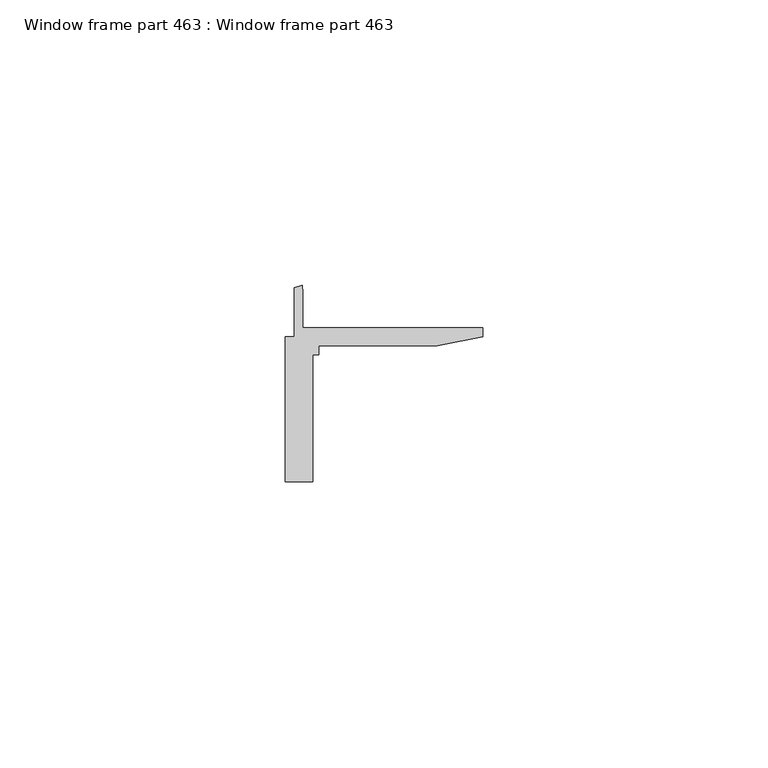
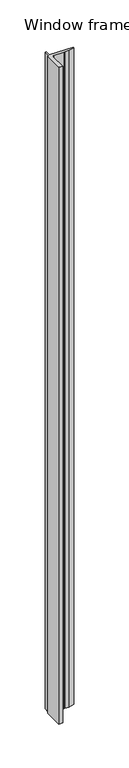
"""IFC4 building model written with IfcOpenShell, lengths in millimetres: proxy geometry, Window frame part 463 : Window frame part 463."""

import ifcopenshell
import ifcopenshell.guid

model = None  # the IFC model being written
_history = None  # IfcOwnerHistory: only IFC2X3 demands one
_inside = {}  # id of a spatial element -> (the spatial element, [elements in it])
_under = {}  # id of a project, library or spatial element -> (it, [spatial elements below it])
_declared = {}  # id of a project -> (the project, [libraries it declares])
_typed = {}  # id of a type object -> (the type object, [elements of that type])
_made_of = {}  # id of a material, layer set ... -> (it, [elements and type objects made of it])


def new_model(schema):
    """Start an empty IFC model of exactly this schema.

    Asked for "IFC4X3", IfcOpenShell would pick the latest addendum, in which some entities
    have other attributes; the version numbers below select the first issue.
    IFC2X3 requires an IfcOwnerHistory on every rooted entity: one is made here for all.
    """
    global model, _history
    if schema == "IFC4X3":
        model = ifcopenshell.file(schema_version=(4, 3, 0, 0))
    else:
        model = ifcopenshell.file(schema=schema)
    _inside.clear()
    _under.clear()
    _declared.clear()
    _typed.clear()
    _made_of.clear()
    _history = None
    if model.schema == "IFC2X3":
        org = make("IfcOrganization", Name="unknown")
        user = make(
            "IfcPersonAndOrganization",
            ThePerson=make("IfcPerson", FamilyName="unknown"),
            TheOrganization=org,
        )
        app = make(
            "IfcApplication",
            ApplicationDeveloper=org,
            Version="unknown",
            ApplicationFullName="unknown",
            ApplicationIdentifier="unknown",
        )
        _history = make(
            "IfcOwnerHistory",
            OwningUser=user,
            OwningApplication=app,
            ChangeAction="ADDED",
            CreationDate=0,
        )
    return model


def make(cls, **values):
    """One entity of the class cls with the attributes given. An attribute that is None is left unset."""
    return model.create_entity(
        cls, **{name: value for name, value in values.items() if value is not None}
    )


def rooted(cls, **values):
    """An entity with a GlobalId (a new one), such as an element, a storey or a relation."""
    return make(cls, GlobalId=ifcopenshell.guid.new(), OwnerHistory=_history, **values)


def si_unit(unit_type, name, prefix=None):
    """IfcSIUnit, for example si_unit("LENGTHUNIT", "METRE", prefix="MILLI")."""
    return make("IfcSIUnit", UnitType=unit_type, Prefix=prefix, Name=name)


def assignment(units):
    """IfcUnitAssignment: the units of a project."""
    return None if units is None else make("IfcUnitAssignment", Units=units)


def point(xyz):
    """IfcCartesianPoint."""
    return None if xyz is None else make("IfcCartesianPoint", Coordinates=xyz)


def direction(xyz):
    """IfcDirection."""
    return None if xyz is None else make("IfcDirection", DirectionRatios=xyz)


def frame(location, z_axis=None, x_axis=None):
    """IfcAxis2Placement3D, a coordinate frame: its origin and axes. An axis left out is left unset."""
    return make(
        "IfcAxis2Placement3D",
        Location=point(location),
        Axis=direction(z_axis),
        RefDirection=direction(x_axis),
    )


def origin():
    """The frame at (0, 0, 0) with its axes left unset."""
    return frame((0.0, 0.0, 0.0))


def place(relative_to, where):
    """IfcLocalPlacement: puts the frame where relative to a parent placement (None: the world)."""
    return make(
        "IfcLocalPlacement", PlacementRelTo=relative_to, RelativePlacement=where
    )


def context(
    kind, dimensions, precision=None, world=None, true_north=None, identifier=None
):
    """IfcGeometricRepresentationContext, for example the 3D "Model" context."""
    return make(
        "IfcGeometricRepresentationContext",
        ContextIdentifier=identifier,
        ContextType=kind,
        CoordinateSpaceDimension=dimensions,
        Precision=precision,
        WorldCoordinateSystem=world,
        TrueNorth=true_north,
    )


def project(units=None, contexts=None):
    """IfcProject with its units and contexts."""
    return rooted(
        "IfcProject",
        Name="project",
        RepresentationContexts=contexts,
        UnitsInContext=assignment(units),
    )


def spatial(cls, under=None, at=None, **own):
    """A site, building, storey or space (cls), placed at a placement, below another one or the project."""
    s = rooted(cls, ObjectPlacement=at, **own)
    if under is not None:
        _under.setdefault(under.id(), (under, []))[1].append(s)
    return s


def polyline(points):
    """IfcPolyline through the points."""
    return make("IfcPolyline", Points=[point(p) for p in points])


def outline(outer, holes=None, kind="AREA"):
    """IfcArbitraryClosedProfileDef: a profile drawn as a closed curve; with holes, ...WithVoids."""
    if holes is None:
        return make("IfcArbitraryClosedProfileDef", ProfileType=kind, OuterCurve=outer)
    return make(
        "IfcArbitraryProfileDefWithVoids",
        ProfileType=kind,
        OuterCurve=outer,
        InnerCurves=holes,
    )


def extrude(swept, where, along, depth):
    """IfcExtrudedAreaSolid: the profile swept, set in the frame where, extruded along a direction by depth."""
    return make(
        "IfcExtrudedAreaSolid",
        SweptArea=swept,
        Position=where,
        ExtrudedDirection=direction(along),
        Depth=depth,
    )


def shape(context_of_items, identifier, shape_type, items):
    """IfcShapeRepresentation: the items that make up one representation, for example the "Body"."""
    return make(
        "IfcShapeRepresentation",
        ContextOfItems=context_of_items,
        RepresentationIdentifier=identifier,
        RepresentationType=shape_type,
        Items=items,
    )


def source(mapping_origin, context_of_items, identifier, shape_type, items):
    """IfcRepresentationMap: a shape defined once, which mapped items show again and again."""
    return make(
        "IfcRepresentationMap",
        MappingOrigin=mapping_origin,
        MappedRepresentation=shape(context_of_items, identifier, shape_type, items),
    )


def transform(
    local_origin,
    x_axis=None,
    y_axis=None,
    z_axis=None,
    scale=None,
    scale2=None,
    scale3=None,
    uniform=True,
):
    """IfcCartesianTransformationOperator3D, or its non-uniform kind. x_axis, y_axis, z_axis: its Axis1, 2, 3."""
    if uniform:
        return make(
            "IfcCartesianTransformationOperator3D",
            Axis1=direction(x_axis),
            Axis2=direction(y_axis),
            LocalOrigin=point(local_origin),
            Scale=scale,
            Axis3=direction(z_axis),
        )
    return make(
        "IfcCartesianTransformationOperator3DnonUniform",
        Axis1=direction(x_axis),
        Axis2=direction(y_axis),
        LocalOrigin=point(local_origin),
        Scale=scale,
        Axis3=direction(z_axis),
        Scale2=scale2,
        Scale3=scale3,
    )


def mapped(mapping_source, mapping_target):
    """IfcMappedItem: shows the shape of a source again, moved by a transform."""
    return make(
        "IfcMappedItem", MappingSource=mapping_source, MappingTarget=mapping_target
    )


def made_of(thing, what):
    """Note that an element or type object is made of a material, layer set ...; save() writes the relation."""
    if what is not None:
        _made_of.setdefault(what.id(), (what, []))[1].append(thing)
    return thing


def element(
    cls,
    number,
    at=None,
    inside=None,
    cuts=None,
    type_object=None,
    material=None,
    context=None,
    identifier="Body",
    shape_type=None,
    held_by="IfcProductDefinitionShape",
    body=None,
    shapes=None,
    **own,
):
    """One element of the class cls, such as IfcWall. Its Tag is "e" and its number.

    at: its placement. inside: the storey or other place that contains it. cuts: it is an
    opening in that element (IfcRelVoidsElement). A single representation is given by context,
    identifier, shape_type and body (its items); several are given by shapes. held_by: the class
    of the entity that holds the representations. save() writes the other relations.
    """
    e = rooted(cls, Tag="e%d" % number, ObjectPlacement=at, **own)
    if body is not None:
        shapes = [shape(context, identifier, shape_type, body)]
    if shapes is not None:
        e.Representation = make(held_by, Representations=shapes)
    if inside is not None:
        _inside.setdefault(inside.id(), (inside, []))[1].append(e)
    if cuts is not None:
        rooted(
            "IfcRelVoidsElement", RelatingBuildingElement=cuts, RelatedOpeningElement=e
        )
    if type_object is not None:
        _typed.setdefault(type_object.id(), (type_object, []))[1].append(e)
    return made_of(e, material)


def aggregate(whole, parts):
    """IfcRelAggregates: a whole, such as a stair, and the parts it consists of."""
    return rooted("IfcRelAggregates", RelatingObject=whole, RelatedObjects=parts)


def save(model, path):
    """Write the relations noted so far, then the file.

    IfcRelAggregates (storeys below a building ...), IfcRelContainedInSpatialStructure (elements
    in a storey), IfcRelDefinesByType, IfcRelAssociatesMaterial and IfcRelDeclares: one each for
    every whole, place, type object, material and project.
    """
    for whole, parts in _under.values():
        aggregate(whole, parts)
    for where, things in _inside.values():
        rooted(
            "IfcRelContainedInSpatialStructure",
            RelatedElements=things,
            RelatingStructure=where,
        )
    for kind, things in _typed.values():
        rooted("IfcRelDefinesByType", RelatedObjects=things, RelatingType=kind)
    for what, things in _made_of.values():
        rooted("IfcRelAssociatesMaterial", RelatedObjects=things, RelatingMaterial=what)
    for by, libraries in _declared.values():
        rooted("IfcRelDeclares", RelatingContext=by, RelatedDefinitions=libraries)
    model.write(path)


def window_frame_part_463_window_frame_part_463_5f63533b(model_context):
    return source(origin(), model_context, "Body", "SweptSolid", [
        extrude(outline(polyline([(37222.1821208, -22971.7756264), (37222.1821208, -22973.3524584), (37221.1620568, -22973.3524584), (37221.1620568, -22995.5449464), (37216.3878728, -22995.5449464), (37216.3878728, -22970.1774584), (37217.9657208, -22970.1774584), (37217.9657208, -22968.5569384), (37217.9657208, -22967.5429704), (37217.9657208, -22961.5780344), (37219.3103968, -22961.1985584), (37219.4358728, -22962.4650024), (37219.4358728, -22968.6067224), (37250.9054568, -22968.6067224), (37250.9054568, -22970.1937144), (37242.9674488, -22971.7761344), (37237.5221968, -22971.7761344), (37236.5077208, -22971.7756264), (37222.1821208, -22971.7756264)])), frame((0.0, 0.0, 1524.0), z_axis=(0.0, 0.0, 1.0), x_axis=(1.0, 0.0, 0.0)), (0.0, 0.0, 1.0), 914.4),
    ])


if __name__ == "__main__":
    model = new_model("IFC4")
    model_context = context("Model", 3, world=origin())
    ifc_project = project(units=[si_unit("LENGTHUNIT", "METRE", prefix="MILLI")], contexts=[model_context])
    site = spatial("IfcSite", under=ifc_project)
    building = spatial("IfcBuilding", under=site)
    placement = place(None, origin())
    window_frame_part_463_window_frame_part_463_shape = window_frame_part_463_window_frame_part_463_5f63533b(model_context)
    element("IfcBuildingElementProxy", 1, Name="Window frame part 463 : Window frame part 463", ObjectType="Window frame part 463 : Window frame part 463", at=placement, inside=building, context=model_context, shape_type="MappedRepresentation", body=[
        mapped(window_frame_part_463_window_frame_part_463_shape, transform((0.0, 0.0, 0.0), x_axis=(1.0, 0.0, 0.0), y_axis=(0.0, 1.0, 0.0), z_axis=(0.0, 0.0, 1.0))),
    ])
    save(model, "model.ifc")
